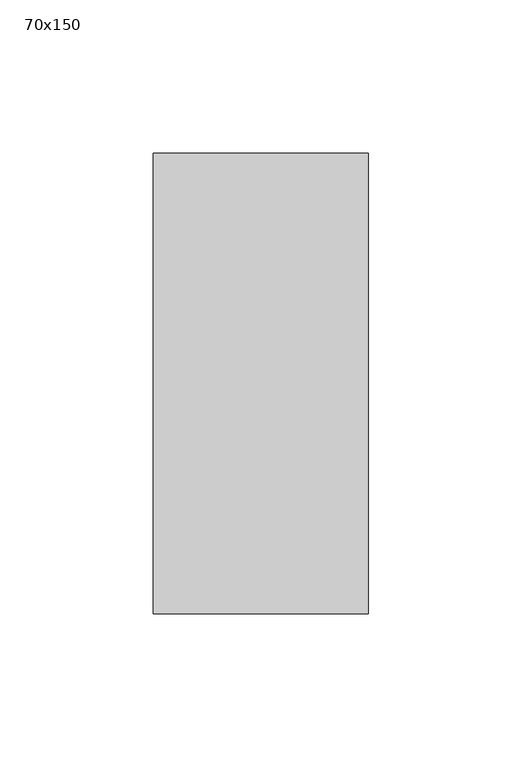
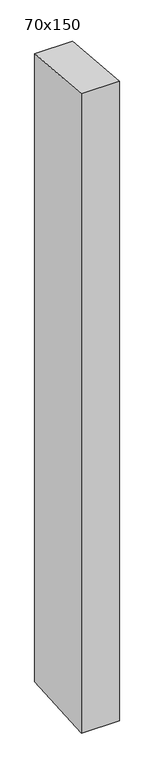
"""IFC4 building model written with IfcOpenShell, lengths in millimetres: member geometry, 70x150."""

from ifc_helpers import new_model, si_unit, frame, origin, place, context, project, spatial, polyline, outline, extrude, source, transform, mapped, element, save


def member_70x150_d3b90ac0(model_context):
    return source(origin(), model_context, "Body", "SweptSolid", [
        extrude(outline(polyline([(-75.0, 6.0757039), (75.0, -6.0757039), (75.0, -1234.4921474), (-75.0, -1244.3868567), (-75.0, 6.0757039)])), frame((-70.0, 0.0, 0.0), z_axis=(1.0, 0.0, 0.0), x_axis=(0.0, 1.0, 0.0)), (0.0, 0.0, 1.0), 70.0),
    ])


if __name__ == "__main__":
    model = new_model("IFC4")
    model_context = context("Model", 3, world=origin())
    ifc_project = project(units=[si_unit("LENGTHUNIT", "METRE", prefix="MILLI")], contexts=[model_context])
    site = spatial("IfcSite", under=ifc_project)
    building = spatial("IfcBuilding", under=site)
    placement = place(None, origin())
    member_70x150_shape = member_70x150_d3b90ac0(model_context)
    element("IfcMember", 1, ObjectType="70x150", at=placement, inside=building, context=model_context, shape_type="MappedRepresentation", body=[
        mapped(member_70x150_shape, transform((0.0, 0.0, 0.0), x_axis=(1.0, 0.0, 0.0), y_axis=(0.0, 1.0, 0.0), z_axis=(0.0, 0.0, 1.0))),
    ])
    save(model, "model.ifc")
